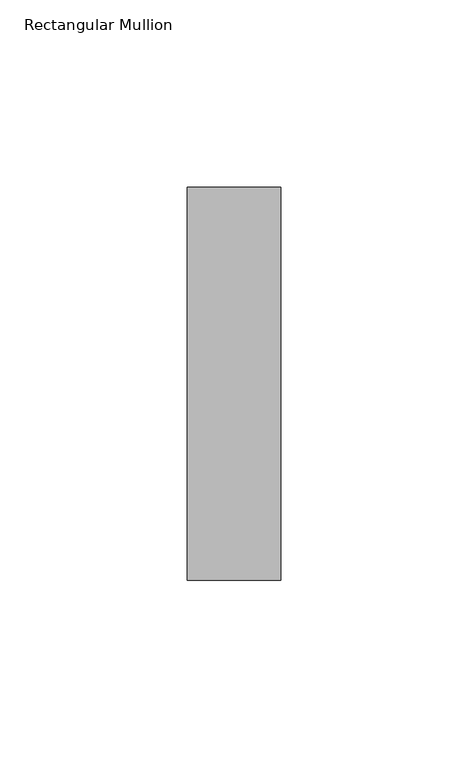
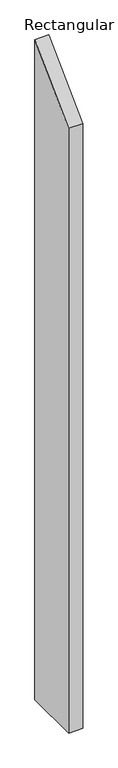
"""IFC4 building model written with IfcOpenShell, lengths in millimetres: member geometry, Rectangular Mullion."""

from ifc_helpers import new_model, si_unit, frame, origin, place, context, project, spatial, polyline, outline, extrude, source, transform, mapped, element, save


def rectangular_mullion_b926a308(model_context):
    return source(origin(), model_context, "Body", "SweptSolid", [
        extrude(outline(polyline([(-52.5, -52.5), (52.5, 52.5), (52.5, -1200.0), (-52.5, -1200.0), (-52.5, -52.5)])), frame((-25.0, 0.0, 0.0), z_axis=(1.0, 0.0, 0.0), x_axis=(0.0, 1.0, 0.0)), (0.0, 0.0, 1.0), 25.0),
    ])


if __name__ == "__main__":
    model = new_model("IFC4")
    model_context = context("Model", 3, world=origin())
    ifc_project = project(units=[si_unit("LENGTHUNIT", "METRE", prefix="MILLI")], contexts=[model_context])
    site = spatial("IfcSite", under=ifc_project)
    building = spatial("IfcBuilding", under=site)
    placement = place(None, origin())
    rectangular_mullion_shape = rectangular_mullion_b926a308(model_context)
    element("IfcMember", 1, ObjectType="Rectangular Mullion", at=placement, inside=building, context=model_context, shape_type="MappedRepresentation", body=[
        mapped(rectangular_mullion_shape, transform((0.0, 0.0, 0.0), x_axis=(1.0, 0.0, 0.0), y_axis=(0.0, 1.0, 0.0), z_axis=(0.0, 0.0, 1.0))),
    ])
    save(model, "model.ifc")
